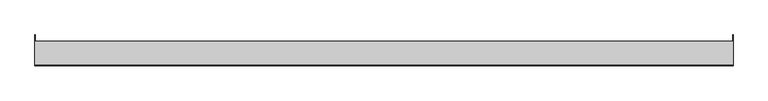
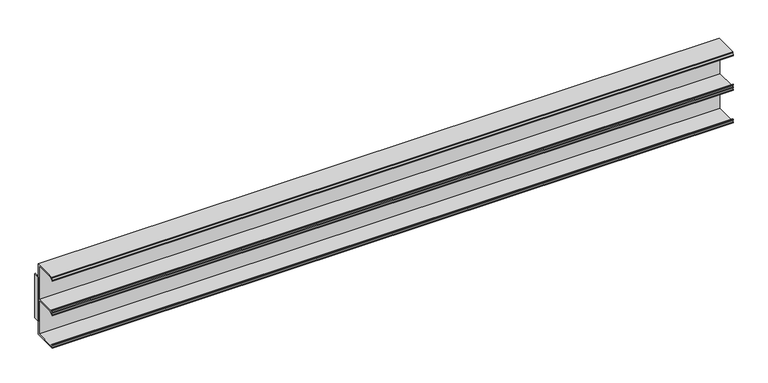
"""IFC4 building model written with IfcOpenShell, lengths in millimetres: furniture geometry."""

from ifc_helpers import new_model, si_unit, frame, origin, place, context, project, spatial, polyline, outline, extrude, source, transform, mapped, element, save


def furniture_04b6856e(model_context):
    return source(origin(), model_context, "Body", "SweptSolid", [
        extrude(outline(polyline([(-111.1123009, 1092.2), (-111.1123009, 958.85), (-153.9875, 958.85), (-153.9875, 960.8312017), (-151.1172991, 960.8312017), (-153.9875, 963.472801), (-153.9875, 965.5810027), (-153.1650166, 965.5810027), (-148.0041722, 960.8312017), (-113.093501, 960.8312017), (-113.093501, 1024.5336951), (-148.0041761, 1024.5336951), (-153.1650166, 1019.7838942), (-153.9875, 1019.7838942), (-153.9875, 1021.8920939), (-151.1172991, 1024.5336951), (-153.9875, 1024.5336951), (-153.9875, 1026.5148923), (-151.1172963, 1026.5148923), (-153.9875, 1029.1564962), (-153.9875, 1031.2646933), (-153.1650166, 1031.2646933), (-148.0041761, 1026.5148923), (-113.093501, 1026.5148923), (-113.093501, 1090.2188), (-148.0041761, 1090.2188), (-153.1650166, 1085.4690002), (-153.9875, 1085.4690002), (-153.9875, 1087.5772001), (-151.1172991, 1090.2188), (-152.4127006, 1090.2188), (-152.4127006, 1092.2), (-111.1123009, 1092.2)])), frame((-609.6, 0.0, 0.0), z_axis=(1.0, 0.0, 0.0), x_axis=(0.0, 1.0, 0.0)), (0.0, 0.0, 1.0), 1219.2),
        extrude(outline(polyline([(609.6, -111.1123009), (608.80625, -111.1123009), (608.80625, -100.0125), (609.6, -100.0125), (609.6, -111.1123009)])), frame((0.0, 0.0, 983.9197997), z_axis=(0.0, 0.0, 1.0), x_axis=(1.0, 0.0, 0.0)), (0.0, 0.0, 1.0), 83.2104006),
        extrude(outline(polyline([(-609.6, -100.0125), (-608.80625, -100.0125), (-608.80625, -111.1123009), (-609.6, -111.1123009), (-609.6, -100.0125)])), frame((0.0, 0.0, 983.9197997), z_axis=(0.0, 0.0, 1.0), x_axis=(1.0, 0.0, 0.0)), (0.0, 0.0, 1.0), 83.2104006),
    ])


if __name__ == "__main__":
    model = new_model("IFC4")
    model_context = context("Model", 3, world=origin())
    ifc_project = project(units=[si_unit("LENGTHUNIT", "METRE", prefix="MILLI")], contexts=[model_context])
    site = spatial("IfcSite", under=ifc_project)
    building = spatial("IfcBuilding", under=site)
    placement = place(None, origin())
    furniture_shape = furniture_04b6856e(model_context)
    element("IfcFurniture", 1, at=placement, inside=building, context=model_context, shape_type="MappedRepresentation", body=[
        mapped(furniture_shape, transform((0.0, 0.0, 0.0), x_axis=(1.0, 0.0, 0.0), y_axis=(0.0, 1.0, 0.0), z_axis=(0.0, 0.0, 1.0))),
    ])
    save(model, "model.ifc")
